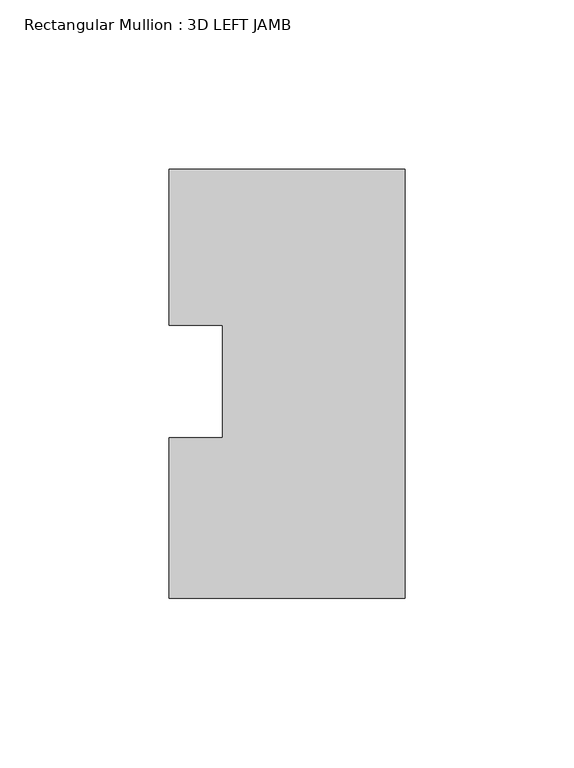
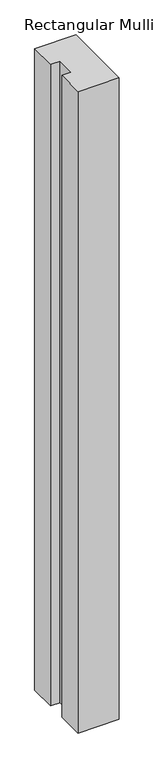
"""IFC4 building model written with IfcOpenShell, lengths in millimetres: member geometry, Rectangular Mullion : 3D LEFT JAMB."""

import ifcopenshell
import ifcopenshell.guid

model = None  # the IFC model being written
_history = None  # IfcOwnerHistory: only IFC2X3 demands one
_inside = {}  # id of a spatial element -> (the spatial element, [elements in it])
_under = {}  # id of a project, library or spatial element -> (it, [spatial elements below it])
_declared = {}  # id of a project -> (the project, [libraries it declares])
_typed = {}  # id of a type object -> (the type object, [elements of that type])
_made_of = {}  # id of a material, layer set ... -> (it, [elements and type objects made of it])


def new_model(schema):
    """Start an empty IFC model of exactly this schema.

    Asked for "IFC4X3", IfcOpenShell would pick the latest addendum, in which some entities
    have other attributes; the version numbers below select the first issue.
    IFC2X3 requires an IfcOwnerHistory on every rooted entity: one is made here for all.
    """
    global model, _history
    if schema == "IFC4X3":
        model = ifcopenshell.file(schema_version=(4, 3, 0, 0))
    else:
        model = ifcopenshell.file(schema=schema)
    _inside.clear()
    _under.clear()
    _declared.clear()
    _typed.clear()
    _made_of.clear()
    _history = None
    if model.schema == "IFC2X3":
        org = make("IfcOrganization", Name="unknown")
        user = make(
            "IfcPersonAndOrganization",
            ThePerson=make("IfcPerson", FamilyName="unknown"),
            TheOrganization=org,
        )
        app = make(
            "IfcApplication",
            ApplicationDeveloper=org,
            Version="unknown",
            ApplicationFullName="unknown",
            ApplicationIdentifier="unknown",
        )
        _history = make(
            "IfcOwnerHistory",
            OwningUser=user,
            OwningApplication=app,
            ChangeAction="ADDED",
            CreationDate=0,
        )
    return model


def make(cls, **values):
    """One entity of the class cls with the attributes given. An attribute that is None is left unset."""
    return model.create_entity(
        cls, **{name: value for name, value in values.items() if value is not None}
    )


def rooted(cls, **values):
    """An entity with a GlobalId (a new one), such as an element, a storey or a relation."""
    return make(cls, GlobalId=ifcopenshell.guid.new(), OwnerHistory=_history, **values)


def si_unit(unit_type, name, prefix=None):
    """IfcSIUnit, for example si_unit("LENGTHUNIT", "METRE", prefix="MILLI")."""
    return make("IfcSIUnit", UnitType=unit_type, Prefix=prefix, Name=name)


def assignment(units):
    """IfcUnitAssignment: the units of a project."""
    return None if units is None else make("IfcUnitAssignment", Units=units)


def point(xyz):
    """IfcCartesianPoint."""
    return None if xyz is None else make("IfcCartesianPoint", Coordinates=xyz)


def direction(xyz):
    """IfcDirection."""
    return None if xyz is None else make("IfcDirection", DirectionRatios=xyz)


def frame(location, z_axis=None, x_axis=None):
    """IfcAxis2Placement3D, a coordinate frame: its origin and axes. An axis left out is left unset."""
    return make(
        "IfcAxis2Placement3D",
        Location=point(location),
        Axis=direction(z_axis),
        RefDirection=direction(x_axis),
    )


def origin():
    """The frame at (0, 0, 0) with its axes left unset."""
    return frame((0.0, 0.0, 0.0))


def place(relative_to, where):
    """IfcLocalPlacement: puts the frame where relative to a parent placement (None: the world)."""
    return make(
        "IfcLocalPlacement", PlacementRelTo=relative_to, RelativePlacement=where
    )


def context(
    kind, dimensions, precision=None, world=None, true_north=None, identifier=None
):
    """IfcGeometricRepresentationContext, for example the 3D "Model" context."""
    return make(
        "IfcGeometricRepresentationContext",
        ContextIdentifier=identifier,
        ContextType=kind,
        CoordinateSpaceDimension=dimensions,
        Precision=precision,
        WorldCoordinateSystem=world,
        TrueNorth=true_north,
    )


def project(units=None, contexts=None):
    """IfcProject with its units and contexts."""
    return rooted(
        "IfcProject",
        Name="project",
        RepresentationContexts=contexts,
        UnitsInContext=assignment(units),
    )


def spatial(cls, under=None, at=None, **own):
    """A site, building, storey or space (cls), placed at a placement, below another one or the project."""
    s = rooted(cls, ObjectPlacement=at, **own)
    if under is not None:
        _under.setdefault(under.id(), (under, []))[1].append(s)
    return s


def polyline(points):
    """IfcPolyline through the points."""
    return make("IfcPolyline", Points=[point(p) for p in points])


def outline(outer, holes=None, kind="AREA"):
    """IfcArbitraryClosedProfileDef: a profile drawn as a closed curve; with holes, ...WithVoids."""
    if holes is None:
        return make("IfcArbitraryClosedProfileDef", ProfileType=kind, OuterCurve=outer)
    return make(
        "IfcArbitraryProfileDefWithVoids",
        ProfileType=kind,
        OuterCurve=outer,
        InnerCurves=holes,
    )


def extrude(swept, where, along, depth):
    """IfcExtrudedAreaSolid: the profile swept, set in the frame where, extruded along a direction by depth."""
    return make(
        "IfcExtrudedAreaSolid",
        SweptArea=swept,
        Position=where,
        ExtrudedDirection=direction(along),
        Depth=depth,
    )


def shape(context_of_items, identifier, shape_type, items):
    """IfcShapeRepresentation: the items that make up one representation, for example the "Body"."""
    return make(
        "IfcShapeRepresentation",
        ContextOfItems=context_of_items,
        RepresentationIdentifier=identifier,
        RepresentationType=shape_type,
        Items=items,
    )


def source(mapping_origin, context_of_items, identifier, shape_type, items):
    """IfcRepresentationMap: a shape defined once, which mapped items show again and again."""
    return make(
        "IfcRepresentationMap",
        MappingOrigin=mapping_origin,
        MappedRepresentation=shape(context_of_items, identifier, shape_type, items),
    )


def transform(
    local_origin,
    x_axis=None,
    y_axis=None,
    z_axis=None,
    scale=None,
    scale2=None,
    scale3=None,
    uniform=True,
):
    """IfcCartesianTransformationOperator3D, or its non-uniform kind. x_axis, y_axis, z_axis: its Axis1, 2, 3."""
    if uniform:
        return make(
            "IfcCartesianTransformationOperator3D",
            Axis1=direction(x_axis),
            Axis2=direction(y_axis),
            LocalOrigin=point(local_origin),
            Scale=scale,
            Axis3=direction(z_axis),
        )
    return make(
        "IfcCartesianTransformationOperator3DnonUniform",
        Axis1=direction(x_axis),
        Axis2=direction(y_axis),
        LocalOrigin=point(local_origin),
        Scale=scale,
        Axis3=direction(z_axis),
        Scale2=scale2,
        Scale3=scale3,
    )


def mapped(mapping_source, mapping_target):
    """IfcMappedItem: shows the shape of a source again, moved by a transform."""
    return make(
        "IfcMappedItem", MappingSource=mapping_source, MappingTarget=mapping_target
    )


def made_of(thing, what):
    """Note that an element or type object is made of a material, layer set ...; save() writes the relation."""
    if what is not None:
        _made_of.setdefault(what.id(), (what, []))[1].append(thing)
    return thing


def element(
    cls,
    number,
    at=None,
    inside=None,
    cuts=None,
    type_object=None,
    material=None,
    context=None,
    identifier="Body",
    shape_type=None,
    held_by="IfcProductDefinitionShape",
    body=None,
    shapes=None,
    **own,
):
    """One element of the class cls, such as IfcWall. Its Tag is "e" and its number.

    at: its placement. inside: the storey or other place that contains it. cuts: it is an
    opening in that element (IfcRelVoidsElement). A single representation is given by context,
    identifier, shape_type and body (its items); several are given by shapes. held_by: the class
    of the entity that holds the representations. save() writes the other relations.
    """
    e = rooted(cls, Tag="e%d" % number, ObjectPlacement=at, **own)
    if body is not None:
        shapes = [shape(context, identifier, shape_type, body)]
    if shapes is not None:
        e.Representation = make(held_by, Representations=shapes)
    if inside is not None:
        _inside.setdefault(inside.id(), (inside, []))[1].append(e)
    if cuts is not None:
        rooted(
            "IfcRelVoidsElement", RelatingBuildingElement=cuts, RelatedOpeningElement=e
        )
    if type_object is not None:
        _typed.setdefault(type_object.id(), (type_object, []))[1].append(e)
    return made_of(e, material)


def aggregate(whole, parts):
    """IfcRelAggregates: a whole, such as a stair, and the parts it consists of."""
    return rooted("IfcRelAggregates", RelatingObject=whole, RelatedObjects=parts)


def save(model, path):
    """Write the relations noted so far, then the file.

    IfcRelAggregates (storeys below a building ...), IfcRelContainedInSpatialStructure (elements
    in a storey), IfcRelDefinesByType, IfcRelAssociatesMaterial and IfcRelDeclares: one each for
    every whole, place, type object, material and project.
    """
    for whole, parts in _under.values():
        aggregate(whole, parts)
    for where, things in _inside.values():
        rooted(
            "IfcRelContainedInSpatialStructure",
            RelatedElements=things,
            RelatingStructure=where,
        )
    for kind, things in _typed.values():
        rooted("IfcRelDefinesByType", RelatedObjects=things, RelatingType=kind)
    for what, things in _made_of.values():
        rooted("IfcRelAssociatesMaterial", RelatedObjects=things, RelatingMaterial=what)
    for by, libraries in _declared.values():
        rooted("IfcRelDeclares", RelatingContext=by, RelatedDefinitions=libraries)
    model.write(path)


def rectangular_mullion_3d_left_jamb_f19ec977(model_context):
    return source(origin(), model_context, "Body", "SweptSolid", [
        extrude(outline(polyline([(-69.85, 62.8644207), (0.0, 62.8644207), (0.0, -64.1355793), (-69.85, -64.1355793), (-69.85, -16.6815107), (-53.975, -16.6815107), (-53.975, 16.6815107), (-69.85, 16.6815107), (-69.85, 62.8644207)])), frame((0.0, 0.0, -1149.35), z_axis=(0.0, 0.0, 1.0), x_axis=(1.0, 0.0, 0.0)), (0.0, 0.0, 1.0), 1149.35),
    ])


if __name__ == "__main__":
    model = new_model("IFC4")
    model_context = context("Model", 3, world=origin())
    ifc_project = project(units=[si_unit("LENGTHUNIT", "METRE", prefix="MILLI")], contexts=[model_context])
    site = spatial("IfcSite", under=ifc_project)
    building = spatial("IfcBuilding", under=site)
    placement = place(None, origin())
    rectangular_mullion_3d_left_jamb_shape = rectangular_mullion_3d_left_jamb_f19ec977(model_context)
    element("IfcMember", 1, ObjectType="Rectangular Mullion : 3D LEFT JAMB", at=placement, inside=building, context=model_context, shape_type="MappedRepresentation", body=[
        mapped(rectangular_mullion_3d_left_jamb_shape, transform((0.0, 0.0, 0.0), x_axis=(1.0, 0.0, 0.0), y_axis=(0.0, 1.0, 0.0), z_axis=(0.0, 0.0, 1.0))),
    ])
    save(model, "model.ifc")
